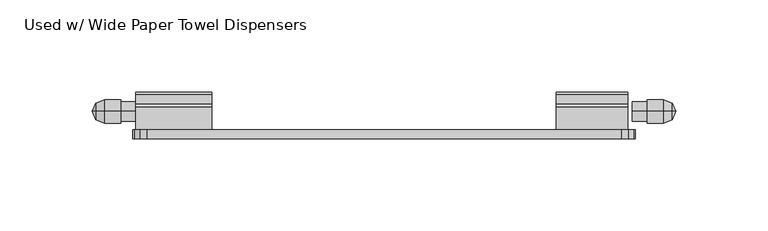
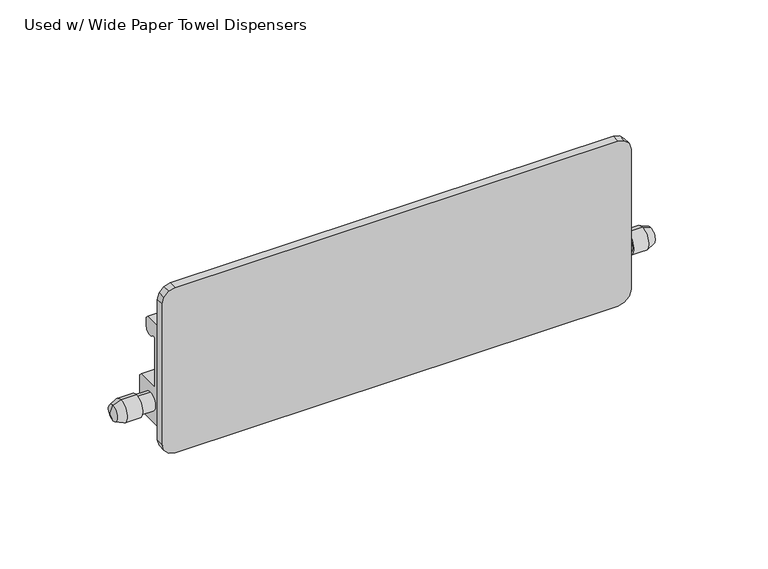
"""IFC4 building model written with IfcOpenShell, lengths in millimetres: furniture geometry, Used w/ Wide Paper Towel Dispensers."""

import ifcopenshell
import ifcopenshell.guid

model = None  # the IFC model being written
_history = None  # IfcOwnerHistory: only IFC2X3 demands one
_inside = {}  # id of a spatial element -> (the spatial element, [elements in it])
_under = {}  # id of a project, library or spatial element -> (it, [spatial elements below it])
_declared = {}  # id of a project -> (the project, [libraries it declares])
_typed = {}  # id of a type object -> (the type object, [elements of that type])
_made_of = {}  # id of a material, layer set ... -> (it, [elements and type objects made of it])


def new_model(schema):
    """Start an empty IFC model of exactly this schema.

    Asked for "IFC4X3", IfcOpenShell would pick the latest addendum, in which some entities
    have other attributes; the version numbers below select the first issue.
    IFC2X3 requires an IfcOwnerHistory on every rooted entity: one is made here for all.
    """
    global model, _history
    if schema == "IFC4X3":
        model = ifcopenshell.file(schema_version=(4, 3, 0, 0))
    else:
        model = ifcopenshell.file(schema=schema)
    _inside.clear()
    _under.clear()
    _declared.clear()
    _typed.clear()
    _made_of.clear()
    _history = None
    if model.schema == "IFC2X3":
        org = make("IfcOrganization", Name="unknown")
        user = make(
            "IfcPersonAndOrganization",
            ThePerson=make("IfcPerson", FamilyName="unknown"),
            TheOrganization=org,
        )
        app = make(
            "IfcApplication",
            ApplicationDeveloper=org,
            Version="unknown",
            ApplicationFullName="unknown",
            ApplicationIdentifier="unknown",
        )
        _history = make(
            "IfcOwnerHistory",
            OwningUser=user,
            OwningApplication=app,
            ChangeAction="ADDED",
            CreationDate=0,
        )
    return model


def make(cls, **values):
    """One entity of the class cls with the attributes given. An attribute that is None is left unset."""
    return model.create_entity(
        cls, **{name: value for name, value in values.items() if value is not None}
    )


def rooted(cls, **values):
    """An entity with a GlobalId (a new one), such as an element, a storey or a relation."""
    return make(cls, GlobalId=ifcopenshell.guid.new(), OwnerHistory=_history, **values)


def si_unit(unit_type, name, prefix=None):
    """IfcSIUnit, for example si_unit("LENGTHUNIT", "METRE", prefix="MILLI")."""
    return make("IfcSIUnit", UnitType=unit_type, Prefix=prefix, Name=name)


def assignment(units):
    """IfcUnitAssignment: the units of a project."""
    return None if units is None else make("IfcUnitAssignment", Units=units)


def point(xyz):
    """IfcCartesianPoint."""
    return None if xyz is None else make("IfcCartesianPoint", Coordinates=xyz)


def direction(xyz):
    """IfcDirection."""
    return None if xyz is None else make("IfcDirection", DirectionRatios=xyz)


def frame(location, z_axis=None, x_axis=None):
    """IfcAxis2Placement3D, a coordinate frame: its origin and axes. An axis left out is left unset."""
    return make(
        "IfcAxis2Placement3D",
        Location=point(location),
        Axis=direction(z_axis),
        RefDirection=direction(x_axis),
    )


def origin():
    """The frame at (0, 0, 0) with its axes left unset."""
    return frame((0.0, 0.0, 0.0))


def place(relative_to, where):
    """IfcLocalPlacement: puts the frame where relative to a parent placement (None: the world)."""
    return make(
        "IfcLocalPlacement", PlacementRelTo=relative_to, RelativePlacement=where
    )


def context(
    kind, dimensions, precision=None, world=None, true_north=None, identifier=None
):
    """IfcGeometricRepresentationContext, for example the 3D "Model" context."""
    return make(
        "IfcGeometricRepresentationContext",
        ContextIdentifier=identifier,
        ContextType=kind,
        CoordinateSpaceDimension=dimensions,
        Precision=precision,
        WorldCoordinateSystem=world,
        TrueNorth=true_north,
    )


def project(units=None, contexts=None):
    """IfcProject with its units and contexts."""
    return rooted(
        "IfcProject",
        Name="project",
        RepresentationContexts=contexts,
        UnitsInContext=assignment(units),
    )


def spatial(cls, under=None, at=None, **own):
    """A site, building, storey or space (cls), placed at a placement, below another one or the project."""
    s = rooted(cls, ObjectPlacement=at, **own)
    if under is not None:
        _under.setdefault(under.id(), (under, []))[1].append(s)
    return s


def polyline(points):
    """IfcPolyline through the points."""
    return make("IfcPolyline", Points=[point(p) for p in points])


def circle_curve(where, radius):
    """IfcCircle in the frame where."""
    return make("IfcCircle", Position=where, Radius=radius)


def outline(outer, holes=None, kind="AREA"):
    """IfcArbitraryClosedProfileDef: a profile drawn as a closed curve; with holes, ...WithVoids."""
    if holes is None:
        return make("IfcArbitraryClosedProfileDef", ProfileType=kind, OuterCurve=outer)
    return make(
        "IfcArbitraryProfileDefWithVoids",
        ProfileType=kind,
        OuterCurve=outer,
        InnerCurves=holes,
    )


def extrude(swept, where, along, depth):
    """IfcExtrudedAreaSolid: the profile swept, set in the frame where, extruded along a direction by depth."""
    return make(
        "IfcExtrudedAreaSolid",
        SweptArea=swept,
        Position=where,
        ExtrudedDirection=direction(along),
        Depth=depth,
    )


def shape(context_of_items, identifier, shape_type, items):
    """IfcShapeRepresentation: the items that make up one representation, for example the "Body"."""
    return make(
        "IfcShapeRepresentation",
        ContextOfItems=context_of_items,
        RepresentationIdentifier=identifier,
        RepresentationType=shape_type,
        Items=items,
    )


def source(mapping_origin, context_of_items, identifier, shape_type, items):
    """IfcRepresentationMap: a shape defined once, which mapped items show again and again."""
    return make(
        "IfcRepresentationMap",
        MappingOrigin=mapping_origin,
        MappedRepresentation=shape(context_of_items, identifier, shape_type, items),
    )


def transform(
    local_origin,
    x_axis=None,
    y_axis=None,
    z_axis=None,
    scale=None,
    scale2=None,
    scale3=None,
    uniform=True,
):
    """IfcCartesianTransformationOperator3D, or its non-uniform kind. x_axis, y_axis, z_axis: its Axis1, 2, 3."""
    if uniform:
        return make(
            "IfcCartesianTransformationOperator3D",
            Axis1=direction(x_axis),
            Axis2=direction(y_axis),
            LocalOrigin=point(local_origin),
            Scale=scale,
            Axis3=direction(z_axis),
        )
    return make(
        "IfcCartesianTransformationOperator3DnonUniform",
        Axis1=direction(x_axis),
        Axis2=direction(y_axis),
        LocalOrigin=point(local_origin),
        Scale=scale,
        Axis3=direction(z_axis),
        Scale2=scale2,
        Scale3=scale3,
    )


def mapped(mapping_source, mapping_target):
    """IfcMappedItem: shows the shape of a source again, moved by a transform."""
    return make(
        "IfcMappedItem", MappingSource=mapping_source, MappingTarget=mapping_target
    )


def made_of(thing, what):
    """Note that an element or type object is made of a material, layer set ...; save() writes the relation."""
    if what is not None:
        _made_of.setdefault(what.id(), (what, []))[1].append(thing)
    return thing


def element(
    cls,
    number,
    at=None,
    inside=None,
    cuts=None,
    type_object=None,
    material=None,
    context=None,
    identifier="Body",
    shape_type=None,
    held_by="IfcProductDefinitionShape",
    body=None,
    shapes=None,
    **own,
):
    """One element of the class cls, such as IfcWall. Its Tag is "e" and its number.

    at: its placement. inside: the storey or other place that contains it. cuts: it is an
    opening in that element (IfcRelVoidsElement). A single representation is given by context,
    identifier, shape_type and body (its items); several are given by shapes. held_by: the class
    of the entity that holds the representations. save() writes the other relations.
    """
    e = rooted(cls, Tag="e%d" % number, ObjectPlacement=at, **own)
    if body is not None:
        shapes = [shape(context, identifier, shape_type, body)]
    if shapes is not None:
        e.Representation = make(held_by, Representations=shapes)
    if inside is not None:
        _inside.setdefault(inside.id(), (inside, []))[1].append(e)
    if cuts is not None:
        rooted(
            "IfcRelVoidsElement", RelatingBuildingElement=cuts, RelatedOpeningElement=e
        )
    if type_object is not None:
        _typed.setdefault(type_object.id(), (type_object, []))[1].append(e)
    return made_of(e, material)


def aggregate(whole, parts):
    """IfcRelAggregates: a whole, such as a stair, and the parts it consists of."""
    return rooted("IfcRelAggregates", RelatingObject=whole, RelatedObjects=parts)


def save(model, path):
    """Write the relations noted so far, then the file.

    IfcRelAggregates (storeys below a building ...), IfcRelContainedInSpatialStructure (elements
    in a storey), IfcRelDefinesByType, IfcRelAssociatesMaterial and IfcRelDeclares: one each for
    every whole, place, type object, material and project.
    """
    for whole, parts in _under.values():
        aggregate(whole, parts)
    for where, things in _inside.values():
        rooted(
            "IfcRelContainedInSpatialStructure",
            RelatedElements=things,
            RelatingStructure=where,
        )
    for kind, things in _typed.values():
        rooted("IfcRelDefinesByType", RelatedObjects=things, RelatingType=kind)
    for what, things in _made_of.values():
        rooted("IfcRelAssociatesMaterial", RelatedObjects=things, RelatingMaterial=what)
    for by, libraries in _declared.values():
        rooted("IfcRelDeclares", RelatingContext=by, RelatedDefinitions=libraries)
    model.write(path)


def plane_surface(at):
    """IfcPlane: the flat surface through the origin of the frame at, square to its z axis."""
    return make("IfcPlane", Position=at)


def cylinder_surface(at, radius):
    """IfcCylindricalSurface: all points at the distance radius from the z axis of the frame at."""
    return make("IfcCylindricalSurface", Position=at, Radius=radius)


def revolved_surface(curve, axis_point, axis_direction):
    """IfcSurfaceOfRevolution: the curve turned about the line through axis_point along axis_direction."""
    return make(
        "IfcSurfaceOfRevolution",
        SweptCurve=make("IfcArbitraryOpenProfileDef", ProfileType="CURVE", Curve=curve),
        AxisPosition=make("IfcAxis1Placement", Location=point(axis_point), Axis=direction(axis_direction)),
    )


def advanced_brep(points, edges, surfaces, faces):
    """IfcAdvancedBrep: a solid bounded by faces that lie on surfaces and meet in shared edges.

    An edge is (start, end): straight between two places in points (the first is 0);
    or (start, end, curve); or (start, end, curve, False) where it runs against its curve.
    A face is (place in surfaces, loops), or (place, loops, False) where it looks against
    its surface's normal. A loop lists edges by number (the first is 1), with a minus sign
    where the edge is run from its end to its start. The first loop is the outer one.
    """
    corners = [point(p) for p in points]
    vertices = [make("IfcVertexPoint", VertexGeometry=c) for c in corners]
    made = []
    for start, end, *more in edges:
        made.append(
            make(
                "IfcEdgeCurve",
                EdgeStart=vertices[start],
                EdgeEnd=vertices[end],
                EdgeGeometry=more[0] if more else make("IfcPolyline", Points=[corners[start], corners[end]]),
                SameSense=more[1] if len(more) > 1 else True,
            )
        )
    hull = []
    for where, loops, *sense in faces:
        bounds = []
        for j, loop in enumerate(loops):
            ring = [make("IfcOrientedEdge", EdgeElement=made[abs(k) - 1], Orientation=k > 0) for k in loop]
            bounds.append(
                make(
                    "IfcFaceOuterBound" if j == 0 else "IfcFaceBound",
                    Bound=make("IfcEdgeLoop", EdgeList=ring),
                    Orientation=True,
                )
            )
        hull.append(make("IfcAdvancedFace", Bounds=bounds, FaceSurface=surfaces[where], SameSense=sense[0] if sense else True))
    return make("IfcAdvancedBrep", Outer=make("IfcClosedShell", CfsFaces=hull))


def used_w_wide_paper_towel_dispensers_33b649bf(model_context):
    return source(origin(), model_context, "Body", "SolidModel", [
        advanced_brep(
        [(413.0600084, -1179.0028827, 1319.6260976), (413.0600084, -1179.0028827, 1328.7800492), (411.0665981, -1179.0028827, 1324.2030734), (434.6852691, -1179.0028827, 1324.2030734), (434.6852691, -1179.0028827, 1329.5658888), (434.6852691, -1179.0028827, 1318.840258), (426.6230069, -1179.0028827, 1329.5658888), (426.6230069, -1179.0028827, 1318.840258), (426.6230069, -1179.0028827, 1330.6758955), (426.6230069, -1179.0028827, 1317.7302513), (417.8725235, -1179.0028827, 1330.6758955), (417.8725235, -1179.0028827, 1317.7302513)],
        [
            (0, 1, circle_curve(frame((413.0600084, -1179.0028827, 1324.2030734), z_axis=(-1.0, 0.0, 0.0), x_axis=(0.0, 0.0, 1.0)), 4.5769758)),
            (1, 2),
            (2, 0),
            (1, 0, circle_curve(frame((413.0600084, -1179.0028827, 1324.2030734), z_axis=(-1.0, 0.0, 0.0), x_axis=(0.0, 0.0, 1.0)), 4.5769758)),
            (3, 4),
            (4, 5, circle_curve(frame((434.6852691, -1179.0028827, 1324.2030734), z_axis=(1.0, 0.0, 0.0), x_axis=(0.0, 0.0, 1.0)), 5.3628154)),
            (5, 3),
            (5, 4, circle_curve(frame((434.6852691, -1179.0028827, 1324.2030734), z_axis=(1.0, 0.0, 0.0), x_axis=(0.0, 0.0, 1.0)), 5.3628154)),
            (4, 6),
            (6, 7, circle_curve(frame((426.6230069, -1179.0028827, 1324.2030734), z_axis=(1.0, 0.0, 0.0), x_axis=(0.0, 0.0, 1.0)), 5.3628154)),
            (7, 5),
            (7, 6, circle_curve(frame((426.6230069, -1179.0028827, 1324.2030734), z_axis=(1.0, 0.0, 0.0), x_axis=(0.0, 0.0, 1.0)), 5.3628154)),
            (6, 8),
            (8, 9, circle_curve(frame((426.6230069, -1179.0028827, 1324.2030734), z_axis=(1.0, 0.0, 0.0), x_axis=(0.0, 0.0, 1.0)), 6.4728221)),
            (9, 7),
            (9, 8, circle_curve(frame((426.6230069, -1179.0028827, 1324.2030734), z_axis=(1.0, 0.0, 0.0), x_axis=(0.0, 0.0, 1.0)), 6.4728221)),
            (8, 10),
            (10, 11, circle_curve(frame((417.8725235, -1179.0028827, 1324.2030734), z_axis=(1.0, 0.0, 0.0), x_axis=(0.0, 0.0, 1.0)), 6.4728221)),
            (11, 9),
            (11, 10, circle_curve(frame((417.8725235, -1179.0028827, 1324.2030734), z_axis=(1.0, 0.0, 0.0), x_axis=(0.0, 0.0, 1.0)), 6.4728221)),
            (10, 1),
            (0, 11),
        ],
        [
            revolved_surface(polyline([(411.0665981, -1179.0028827, 1324.2030734), (413.0600084, -1179.0028827, 1328.7800492)]), (434.6852691, -1179.0028827, 1324.2030734), (1.0, 0.0, 0.0)),
            plane_surface(frame((434.6852691, -1179.0028827, 1324.2030734), z_axis=(1.0, 0.0, 0.0), x_axis=(0.0, 0.0, 1.0))),
            cylinder_surface(frame((434.6852691, -1179.0028827, 1324.2030734), z_axis=(1.0, 0.0, 0.0), x_axis=(0.0, 0.0, 1.0)), 5.3628154),
            plane_surface(frame((426.6230069, -1179.0028827, 1324.2030734), z_axis=(1.0, 0.0, 0.0), x_axis=(0.0, 0.0, 1.0))),
            cylinder_surface(frame((434.6852691, -1179.0028827, 1324.2030734), z_axis=(1.0, 0.0, 0.0), x_axis=(0.0, 0.0, 1.0)), 6.4728221),
            revolved_surface(polyline([(413.0600084, -1179.0028827, 1328.7800492), (417.8725235, -1179.0028827, 1330.6758955)]), (434.6852691, -1179.0028827, 1324.2030734), (1.0, 0.0, 0.0)),
        ],
        [
            (0, [[1, 2, 3]]),
            (0, [[4, -3, -2]]),
            (1, [[5, 6, 7]]),
            (1, [[-7, 8, -5]]),
            (2, [[-6, 9, 10, 11]]),
            (2, [[-8, -11, 12, -9]]),
            (3, [[-10, 13, 14, 15]]),
            (3, [[-12, -15, 16, -13]]),
            (4, [[-14, 17, 18, 19]]),
            (4, [[-16, -19, 20, -17]]),
            (5, [[-18, 21, -1, 22]]),
            (5, [[-20, -22, -4, -21]]),
        ],
    ),
        advanced_brep(
        [(728.1519667, -1179.0028827, 1324.2030734), (726.1585564, -1179.0028827, 1328.7800492), (726.1585564, -1179.0028827, 1319.6260976), (704.5332957, -1179.0028827, 1318.840258), (704.5332957, -1179.0028827, 1329.5658888), (704.5332957, -1179.0028827, 1324.2030734), (712.5955579, -1179.0028827, 1318.840258), (712.5955579, -1179.0028827, 1329.5658888), (712.5955579, -1179.0028827, 1317.7302513), (712.5955579, -1179.0028827, 1330.6758955), (721.3460413, -1179.0028827, 1317.7302513), (721.3460413, -1179.0028827, 1330.6758955)],
        [
            (0, 1),
            (1, 2, circle_curve(frame((726.1585564, -1179.0028827, 1324.2030734), z_axis=(1.0, 0.0, 0.0), x_axis=(0.0, 0.0, 1.0)), 4.5769758)),
            (2, 0),
            (2, 1, circle_curve(frame((726.1585564, -1179.0028827, 1324.2030734), z_axis=(1.0, 0.0, 0.0), x_axis=(0.0, 0.0, 1.0)), 4.5769758)),
            (3, 4, circle_curve(frame((704.5332957, -1179.0028827, 1324.2030734), z_axis=(-1.0, 0.0, 0.0), x_axis=(0.0, 0.0, 1.0)), 5.3628154)),
            (4, 5),
            (5, 3),
            (4, 3, circle_curve(frame((704.5332957, -1179.0028827, 1324.2030734), z_axis=(-1.0, 0.0, 0.0), x_axis=(0.0, 0.0, 1.0)), 5.3628154)),
            (6, 7, circle_curve(frame((712.5955579, -1179.0028827, 1324.2030734), z_axis=(-1.0, 0.0, 0.0), x_axis=(0.0, 0.0, 1.0)), 5.3628154)),
            (7, 4),
            (3, 6),
            (7, 6, circle_curve(frame((712.5955579, -1179.0028827, 1324.2030734), z_axis=(-1.0, 0.0, 0.0), x_axis=(0.0, 0.0, 1.0)), 5.3628154)),
            (8, 9, circle_curve(frame((712.5955579, -1179.0028827, 1324.2030734), z_axis=(-1.0, 0.0, 0.0), x_axis=(0.0, 0.0, 1.0)), 6.4728221)),
            (9, 7),
            (6, 8),
            (9, 8, circle_curve(frame((712.5955579, -1179.0028827, 1324.2030734), z_axis=(-1.0, 0.0, 0.0), x_axis=(0.0, 0.0, 1.0)), 6.4728221)),
            (10, 11, circle_curve(frame((721.3460413, -1179.0028827, 1324.2030734), z_axis=(-1.0, 0.0, 0.0), x_axis=(0.0, 0.0, 1.0)), 6.4728221)),
            (11, 9),
            (8, 10),
            (11, 10, circle_curve(frame((721.3460413, -1179.0028827, 1324.2030734), z_axis=(-1.0, 0.0, 0.0), x_axis=(0.0, 0.0, 1.0)), 6.4728221)),
            (1, 11),
            (10, 2),
        ],
        [
            revolved_surface(polyline([(726.1585564, -1179.0028827, 1328.7800492), (728.1519667, -1179.0028827, 1324.2030734)]), (704.5332957, -1179.0028827, 1324.2030734), (1.0, 0.0, 0.0)),
            plane_surface(frame((704.5332957, -1179.0028827, 1324.2030734), z_axis=(-1.0, 0.0, 0.0), x_axis=(0.0, 0.0, 1.0))),
            cylinder_surface(frame((704.5332957, -1179.0028827, 1324.2030734), z_axis=(1.0, 0.0, 0.0), x_axis=(0.0, 0.0, 1.0)), 5.3628154),
            plane_surface(frame((712.5955579, -1179.0028827, 1324.2030734), z_axis=(-1.0, 0.0, 0.0), x_axis=(0.0, 0.0, 1.0))),
            cylinder_surface(frame((704.5332957, -1179.0028827, 1324.2030734), z_axis=(1.0, 0.0, 0.0), x_axis=(0.0, 0.0, 1.0)), 6.4728221),
            revolved_surface(polyline([(721.3460413, -1179.0028827, 1330.6758955), (726.1585564, -1179.0028827, 1328.7800492)]), (704.5332957, -1179.0028827, 1324.2030734), (1.0, 0.0, 0.0)),
        ],
        [
            (0, [[1, 2, 3]]),
            (0, [[-3, 4, -1]]),
            (1, [[5, 6, 7]]),
            (1, [[8, -7, -6]]),
            (2, [[9, 10, -5, 11]]),
            (2, [[12, -11, -8, -10]]),
            (3, [[13, 14, -9, 15]]),
            (3, [[16, -15, -12, -14]]),
            (4, [[17, 18, -13, 19]]),
            (4, [[20, -19, -16, -18]]),
            (5, [[-2, 21, -17, 22]]),
            (5, [[-4, -22, -20, -21]]),
        ],
    ),
        extrude(outline(polyline([(-1189.0551179, 1374.7795517), (-1176.6152827, 1374.7795517), (-1175.0404828, 1373.2047517), (-1175.0404828, 1368.454952), (-1175.8231929, 1366.0905944), (-1177.8620988, 1364.6603206), (-1180.3516929, 1364.7291868), (-1182.3084145, 1366.2699862), (-1183.7526827, 1365.8357943), (-1183.7526827, 1336.1013842), (-1183.1573702, 1335.5060717), (-1170.0811329, 1335.5060717), (-1168.506333, 1333.9312723), (-1168.506333, 1314.5053505), (-1170.0811329, 1312.9305511), (-1187.7341331, 1312.9305511), (-1189.0551179, 1314.2515358), (-1189.0551179, 1374.7795517)])), frame((434.6852691, 0.0, 0.0), z_axis=(1.0, 0.0, 0.0), x_axis=(0.0, 1.0, 0.0)), (0.0, 0.0, 1.0), 41.2749879),
        extrude(outline(polyline([(-1189.0551179, 1374.7795517), (-1176.6152827, 1374.7795517), (-1175.0404828, 1373.2047517), (-1175.0404828, 1368.454952), (-1175.8231929, 1366.0905944), (-1177.8620988, 1364.6603206), (-1180.3516929, 1364.7291868), (-1182.3084145, 1366.2699862), (-1183.7526827, 1365.8357943), (-1183.7526827, 1336.1013842), (-1183.1573702, 1335.5060717), (-1170.0811329, 1335.5060717), (-1168.506333, 1333.9312723), (-1168.506333, 1314.5053505), (-1170.0811329, 1312.9305511), (-1187.7341331, 1312.9305511), (-1189.0551179, 1314.2515358), (-1189.0551179, 1374.7795517)])), frame((663.2583078, 0.0, 0.0), z_axis=(1.0, 0.0, 0.0), x_axis=(0.0, 1.0, 0.0)), (0.0, 0.0, 1.0), 38.7349865),
        extrude(outline(polyline([(1306.8096727, 433.0842881), (1302.9996764, 434.1051742), (1300.2105661, 436.8942879), (1299.18968, 440.7042876), (1299.18968, 698.5142953), (1300.2105661, 702.3242917), (1302.9996764, 705.113402), (1306.8096727, 706.1342881), (1393.1696782, 706.1342881), (1396.9796791, 705.113402), (1399.7687916, 702.3242917), (1400.78968, 698.5142953), (1400.78968, 440.7042876), (1399.7687916, 436.8942879), (1396.9796791, 434.1051742), (1393.1696782, 433.0842881), (1306.8096727, 433.0842881)])), frame((0.0, -1193.9065182, 0.0), z_axis=(0.0, 1.0, 0.0), x_axis=(0.0, 0.0, 1.0)), (0.0, 0.0, 1.0), 4.8514004),
    ])


if __name__ == "__main__":
    model = new_model("IFC4")
    model_context = context("Model", 3, world=origin())
    ifc_project = project(units=[si_unit("LENGTHUNIT", "METRE", prefix="MILLI")], contexts=[model_context])
    site = spatial("IfcSite", under=ifc_project)
    building = spatial("IfcBuilding", under=site)
    placement = place(None, origin())
    used_w_wide_paper_towel_dispensers_shape = used_w_wide_paper_towel_dispensers_33b649bf(model_context)
    element("IfcFurniture", 1, ObjectType="Used w/ Wide Paper Towel Dispensers", at=placement, inside=building, context=model_context, shape_type="MappedRepresentation", body=[
        mapped(used_w_wide_paper_towel_dispensers_shape, transform((0.0, 0.0, 0.0), x_axis=(1.0, 0.0, 0.0), y_axis=(0.0, 1.0, 0.0), z_axis=(0.0, 0.0, 1.0))),
    ])
    save(model, "model.ifc")
